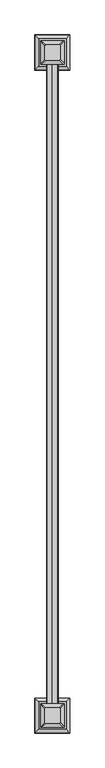
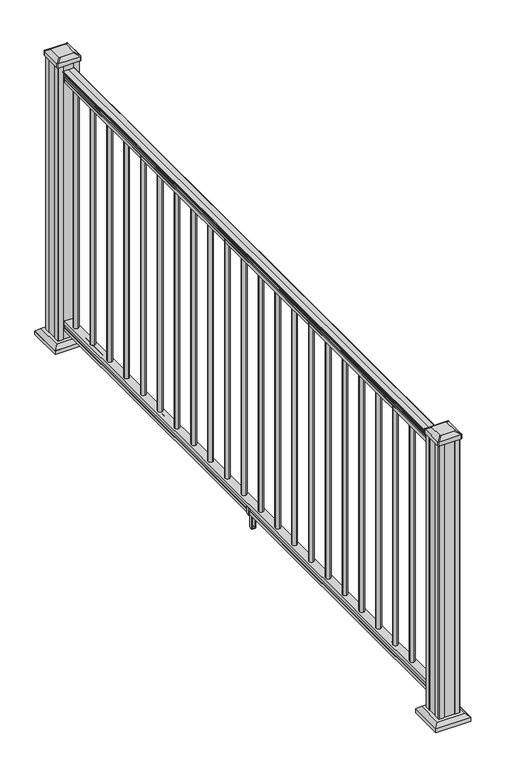
"""IFC4 building model written with IfcOpenShell, lengths in millimetres: railing geometry."""

from ifc_helpers import new_model, si_unit, point, frame, frame_2d, origin, origin_with_axes, place, context, project, spatial, polyline, circle_curve, trimmed, segment, composite_curve, outline, extrude, faceted_brep, source, transform, mapped, element, save
from ifc_brep_helpers import plane_surface, extruded_surface, advanced_brep


def railing_00e78cf7(model_context):
    return source(origin(), model_context, "Body", "SolidModel", [
        extrude(outline(composite_curve([segment(polyline([(3374.7752048, 1090.8043297), (3374.7752048, 1092.692412)]), True, "CONTINUOUS"), segment(trimmed(circle_curve(frame_2d((3381.0899581, 1098.4506383)), 8.545951), [point((3374.7752048, 1092.692412))], [point((3373.6450185, 1094.2546695))], False, "CARTESIAN"), True, "CONTINUOUS"), segment(trimmed(circle_curve(frame_2d((3380.6528951, 1097.8636577)), 7.882584), [point((3373.6450185, 1094.2546695))], [point((3373.6450185, 1101.4726458))], False, "CARTESIAN"), True, "CONTINUOUS"), segment(trimmed(circle_curve(frame_2d((3370.139571, 1103.7112527)), 4.1592695), [point((3373.6450185, 1101.4726458))], [point((3374.2942749, 1103.9060812))], True, "CARTESIAN"), True, "CONTINUOUS"), segment(trimmed(circle_curve(frame_2d((3368.8522645, 1103.6508864)), 5.4479907), [point((3374.2942749, 1103.9060812))], [point((3371.7942749, 1108.2362083))], True, "CARTESIAN"), True, "CONTINUOUS"), segment(trimmed(circle_curve(frame_2d((3370.0854229, 1108.233395)), 1.7088543), [point((3371.7942749, 1108.2362083))], [point((3370.3849325, 1109.9157972))], True, "CARTESIAN"), True, "CONTINUOUS"), segment(trimmed(circle_curve(frame_2d((3371.702323, 1111.0205318)), 1.7192895), [point((3370.3849325, 1109.9157972))], [point((3369.9830335, 1111.0205318))], False, "CARTESIAN"), True, "CONTINUOUS"), segment(polyline([(3369.9830335, 1111.0205318), (3369.9830336, 1112.3608158)]), True, "CONTINUOUS"), segment(trimmed(circle_curve(frame_2d((3371.5364808, 1112.3608158)), 1.5534472), [point((3369.9830336, 1112.3608158))], [point((3371.5364808, 1113.914263))], False, "CARTESIAN"), True, "CONTINUOUS"), segment(polyline([(3371.5364808, 1113.914263), (3392.2080336, 1113.914263), (3412.8795863, 1113.914263)]), True, "CONTINUOUS"), segment(trimmed(circle_curve(frame_2d((3412.8795863, 1112.3608158)), 1.5534472), [point((3412.8795863, 1113.914263))], [point((3414.4330336, 1112.3608158))], False, "CARTESIAN"), True, "CONTINUOUS"), segment(polyline([(3414.4330336, 1112.3608158), (3414.4330336, 1111.0205318)]), True, "CONTINUOUS"), segment(trimmed(circle_curve(frame_2d((3412.7137441, 1111.0205318)), 1.7192895), [point((3414.4330336, 1111.0205318))], [point((3414.0311346, 1109.9157972))], False, "CARTESIAN"), True, "CONTINUOUS"), segment(trimmed(circle_curve(frame_2d((3414.3306442, 1108.233395)), 1.7088543), [point((3414.0311346, 1109.9157972))], [point((3412.6217922, 1108.2362083))], True, "CARTESIAN"), True, "CONTINUOUS"), segment(trimmed(circle_curve(frame_2d((3415.5638026, 1103.6508864)), 5.4479907), [point((3412.6217922, 1108.2362083))], [point((3410.1217922, 1103.9060812))], True, "CARTESIAN"), True, "CONTINUOUS"), segment(trimmed(circle_curve(frame_2d((3414.2764961, 1103.7112527)), 4.1592695), [point((3410.1217922, 1103.9060812))], [point((3410.7710486, 1101.4726458))], True, "CARTESIAN"), True, "CONTINUOUS"), segment(trimmed(circle_curve(frame_2d((3403.763172, 1097.8636577)), 7.882584), [point((3410.7710486, 1101.4726458))], [point((3410.7710486, 1094.2546695))], False, "CARTESIAN"), True, "CONTINUOUS"), segment(trimmed(circle_curve(frame_2d((3403.326109, 1098.4506383)), 8.545951), [point((3410.7710486, 1094.2546695))], [point((3409.6408623, 1092.692412))], False, "CARTESIAN"), True, "CONTINUOUS"), segment(polyline([(3409.6408623, 1092.692412), (3409.6408623, 1090.8043297)]), True, "CONTINUOUS"), segment(trimmed(circle_curve(frame_2d((3408.3539479, 1090.8043297)), 1.2869144), [point((3409.6408623, 1090.8043297))], [point((3407.0670336, 1090.8043297))], False, "CARTESIAN"), True, "CONTINUOUS"), segment(polyline([(3407.0670336, 1090.8043297), (3407.0670336, 1080.3048283), (3408.0830336, 1079.2888283), (3408.0830336, 1066.8), (3376.3330336, 1066.8), (3376.3330336, 1079.131013), (3377.3490336, 1080.147013), (3377.3490336, 1090.8043297)]), True, "CONTINUOUS"), segment(trimmed(circle_curve(frame_2d((3376.0621192, 1090.8043297)), 1.2869144), [point((3377.3490336, 1090.8043297))], [point((3374.7752048, 1090.8043297))], False, "CARTESIAN"), True, "CONTINUOUS")], self_intersect=False)), frame((0.0, -14259.9299817, 0.0), z_axis=(0.0, -1.0, 0.0), x_axis=(1.0, 0.0, 0.0)), (0.0, 0.0, 1.0), 2438.4),
        extrude(outline(polyline([(76.0541976, 3376.2955467), (63.5, 3376.2955467), (63.5, 3408.0455467), (76.0375508, 3408.0455467), (77.3858283, 3407.0295467), (87.6975248, 3407.0295467), (89.0458024, 3408.0455467), (101.5958781, 3408.0455467), (101.5958781, 3376.2955467), (89.0624492, 3376.2955467), (87.7141717, 3377.3115467), (77.3546183, 3377.3115467), (76.0541976, 3376.2955467)])), frame((0.0, -16698.3299817, 0.0), z_axis=(0.0, 1.0, 0.0), x_axis=(0.0, 0.0, 1.0)), (0.0, 0.0, 1.0), 2438.4),
        extrude(outline(composite_curve([segment(trimmed(circle_curve(frame_2d((3392.2080336, -14309.7139817)), 9.525), [point((3382.6830336, -14309.7139817))], [point((3392.2080336, -14300.1889817))], False, "CARTESIAN"), True, "CONTINUOUS"), segment(trimmed(circle_curve(frame_2d((3392.2080336, -14309.7139817)), 9.525), [point((3392.2080336, -14300.1889817))], [point((3401.7330336, -14309.7139817))], False, "CARTESIAN"), True, "CONTINUOUS"), segment(trimmed(circle_curve(frame_2d((3392.2080336, -14309.7139817)), 9.525), [point((3401.7330336, -14309.7139817))], [point((3392.2080336, -14319.2389817))], False, "CARTESIAN"), True, "CONTINUOUS"), segment(trimmed(circle_curve(frame_2d((3392.2080336, -14309.7139817)), 9.525), [point((3392.2080336, -14319.2389817))], [point((3382.6830336, -14309.7139817))], False, "CARTESIAN"), True, "CONTINUOUS")], self_intersect=False)), frame((0.0, 0.0, 101.5958781), z_axis=(0.0, 0.0, 1.0), x_axis=(1.0, 0.0, 0.0)), (0.0, 0.0, 1.0), 965.2041219),
        extrude(outline(composite_curve([segment(trimmed(circle_curve(frame_2d((3392.2080336, -14420.9659817)), 9.525), [point((3382.6830336, -14420.9659817))], [point((3392.2080336, -14411.4409817))], False, "CARTESIAN"), True, "CONTINUOUS"), segment(trimmed(circle_curve(frame_2d((3392.2080336, -14420.9659817)), 9.525), [point((3392.2080336, -14411.4409817))], [point((3401.7330336, -14420.9659817))], False, "CARTESIAN"), True, "CONTINUOUS"), segment(trimmed(circle_curve(frame_2d((3392.2080336, -14420.9659817)), 9.525), [point((3401.7330336, -14420.9659817))], [point((3392.2080336, -14430.4909817))], False, "CARTESIAN"), True, "CONTINUOUS"), segment(trimmed(circle_curve(frame_2d((3392.2080336, -14420.9659817)), 9.525), [point((3392.2080336, -14430.4909817))], [point((3382.6830336, -14420.9659817))], False, "CARTESIAN"), True, "CONTINUOUS")], self_intersect=False)), frame((0.0, 0.0, 101.5958781), z_axis=(0.0, 0.0, 1.0), x_axis=(1.0, 0.0, 0.0)), (0.0, 0.0, 1.0), 965.2041219),
        extrude(outline(composite_curve([segment(trimmed(circle_curve(frame_2d((3392.2080336, -14532.2179817)), 9.525), [point((3382.6830336, -14532.2179817))], [point((3392.2080336, -14522.6929817))], False, "CARTESIAN"), True, "CONTINUOUS"), segment(trimmed(circle_curve(frame_2d((3392.2080336, -14532.2179817)), 9.525), [point((3392.2080336, -14522.6929817))], [point((3401.7330336, -14532.2179817))], False, "CARTESIAN"), True, "CONTINUOUS"), segment(trimmed(circle_curve(frame_2d((3392.2080336, -14532.2179817)), 9.525), [point((3401.7330336, -14532.2179817))], [point((3392.2080336, -14541.7429817))], False, "CARTESIAN"), True, "CONTINUOUS"), segment(trimmed(circle_curve(frame_2d((3392.2080336, -14532.2179817)), 9.525), [point((3392.2080336, -14541.7429817))], [point((3382.6830336, -14532.2179817))], False, "CARTESIAN"), True, "CONTINUOUS")], self_intersect=False)), frame((0.0, 0.0, 101.5958781), z_axis=(0.0, 0.0, 1.0), x_axis=(1.0, 0.0, 0.0)), (0.0, 0.0, 1.0), 965.2041219),
        extrude(outline(composite_curve([segment(trimmed(circle_curve(frame_2d((3392.2080336, -14643.4699817)), 9.525), [point((3382.6830336, -14643.4699817))], [point((3392.2080336, -14633.9449817))], False, "CARTESIAN"), True, "CONTINUOUS"), segment(trimmed(circle_curve(frame_2d((3392.2080336, -14643.4699817)), 9.525), [point((3392.2080336, -14633.9449817))], [point((3401.7330336, -14643.4699817))], False, "CARTESIAN"), True, "CONTINUOUS"), segment(trimmed(circle_curve(frame_2d((3392.2080336, -14643.4699817)), 9.525), [point((3401.7330336, -14643.4699817))], [point((3392.2080336, -14652.9949817))], False, "CARTESIAN"), True, "CONTINUOUS"), segment(trimmed(circle_curve(frame_2d((3392.2080336, -14643.4699817)), 9.525), [point((3392.2080336, -14652.9949817))], [point((3382.6830336, -14643.4699817))], False, "CARTESIAN"), True, "CONTINUOUS")], self_intersect=False)), frame((0.0, 0.0, 101.5958781), z_axis=(0.0, 0.0, 1.0), x_axis=(1.0, 0.0, 0.0)), (0.0, 0.0, 1.0), 965.2041219),
        extrude(outline(composite_curve([segment(trimmed(circle_curve(frame_2d((3392.2080336, -14754.7219817)), 9.525), [point((3382.6830336, -14754.7219817))], [point((3392.2080336, -14745.1969817))], False, "CARTESIAN"), True, "CONTINUOUS"), segment(trimmed(circle_curve(frame_2d((3392.2080336, -14754.7219817)), 9.525), [point((3392.2080336, -14745.1969817))], [point((3401.7330336, -14754.7219817))], False, "CARTESIAN"), True, "CONTINUOUS"), segment(trimmed(circle_curve(frame_2d((3392.2080336, -14754.7219817)), 9.525), [point((3401.7330336, -14754.7219817))], [point((3392.2080336, -14764.2469817))], False, "CARTESIAN"), True, "CONTINUOUS"), segment(trimmed(circle_curve(frame_2d((3392.2080336, -14754.7219817)), 9.525), [point((3392.2080336, -14764.2469817))], [point((3382.6830336, -14754.7219817))], False, "CARTESIAN"), True, "CONTINUOUS")], self_intersect=False)), frame((0.0, 0.0, 101.5958781), z_axis=(0.0, 0.0, 1.0), x_axis=(1.0, 0.0, 0.0)), (0.0, 0.0, 1.0), 965.2041219),
        extrude(outline(composite_curve([segment(trimmed(circle_curve(frame_2d((3392.2080336, -14865.9739817)), 9.525), [point((3382.6830336, -14865.9739817))], [point((3392.2080336, -14856.4489817))], False, "CARTESIAN"), True, "CONTINUOUS"), segment(trimmed(circle_curve(frame_2d((3392.2080336, -14865.9739817)), 9.525), [point((3392.2080336, -14856.4489817))], [point((3401.7330336, -14865.9739817))], False, "CARTESIAN"), True, "CONTINUOUS"), segment(trimmed(circle_curve(frame_2d((3392.2080336, -14865.9739817)), 9.525), [point((3401.7330336, -14865.9739817))], [point((3392.2080336, -14875.4989817))], False, "CARTESIAN"), True, "CONTINUOUS"), segment(trimmed(circle_curve(frame_2d((3392.2080336, -14865.9739817)), 9.525), [point((3392.2080336, -14875.4989817))], [point((3382.6830336, -14865.9739817))], False, "CARTESIAN"), True, "CONTINUOUS")], self_intersect=False)), frame((0.0, 0.0, 101.5958781), z_axis=(0.0, 0.0, 1.0), x_axis=(1.0, 0.0, 0.0)), (0.0, 0.0, 1.0), 965.2041219),
        extrude(outline(composite_curve([segment(trimmed(circle_curve(frame_2d((3392.2080336, -14977.2259817)), 9.525), [point((3382.6830336, -14977.2259817))], [point((3392.2080336, -14967.7009817))], False, "CARTESIAN"), True, "CONTINUOUS"), segment(trimmed(circle_curve(frame_2d((3392.2080336, -14977.2259817)), 9.525), [point((3392.2080336, -14967.7009817))], [point((3401.7330336, -14977.2259817))], False, "CARTESIAN"), True, "CONTINUOUS"), segment(trimmed(circle_curve(frame_2d((3392.2080336, -14977.2259817)), 9.525), [point((3401.7330336, -14977.2259817))], [point((3392.2080336, -14986.7509817))], False, "CARTESIAN"), True, "CONTINUOUS"), segment(trimmed(circle_curve(frame_2d((3392.2080336, -14977.2259817)), 9.525), [point((3392.2080336, -14986.7509817))], [point((3382.6830336, -14977.2259817))], False, "CARTESIAN"), True, "CONTINUOUS")], self_intersect=False)), frame((0.0, 0.0, 101.5958781), z_axis=(0.0, 0.0, 1.0), x_axis=(1.0, 0.0, 0.0)), (0.0, 0.0, 1.0), 965.2041219),
        extrude(outline(composite_curve([segment(trimmed(circle_curve(frame_2d((3392.2080336, -15088.4779817)), 9.525), [point((3382.6830336, -15088.4779817))], [point((3392.2080336, -15078.9529817))], False, "CARTESIAN"), True, "CONTINUOUS"), segment(trimmed(circle_curve(frame_2d((3392.2080336, -15088.4779817)), 9.525), [point((3392.2080336, -15078.9529817))], [point((3401.7330336, -15088.4779817))], False, "CARTESIAN"), True, "CONTINUOUS"), segment(trimmed(circle_curve(frame_2d((3392.2080336, -15088.4779817)), 9.525), [point((3401.7330336, -15088.4779817))], [point((3392.2080336, -15098.0029817))], False, "CARTESIAN"), True, "CONTINUOUS"), segment(trimmed(circle_curve(frame_2d((3392.2080336, -15088.4779817)), 9.525), [point((3392.2080336, -15098.0029817))], [point((3382.6830336, -15088.4779817))], False, "CARTESIAN"), True, "CONTINUOUS")], self_intersect=False)), frame((0.0, 0.0, 101.5958781), z_axis=(0.0, 0.0, 1.0), x_axis=(1.0, 0.0, 0.0)), (0.0, 0.0, 1.0), 965.2041219),
        extrude(outline(composite_curve([segment(trimmed(circle_curve(frame_2d((3392.2080336, -15199.7299817)), 9.525), [point((3382.6830336, -15199.7299817))], [point((3392.2080336, -15190.2049817))], False, "CARTESIAN"), True, "CONTINUOUS"), segment(trimmed(circle_curve(frame_2d((3392.2080336, -15199.7299817)), 9.525), [point((3392.2080336, -15190.2049817))], [point((3401.7330336, -15199.7299817))], False, "CARTESIAN"), True, "CONTINUOUS"), segment(trimmed(circle_curve(frame_2d((3392.2080336, -15199.7299817)), 9.525), [point((3401.7330336, -15199.7299817))], [point((3392.2080336, -15209.2549817))], False, "CARTESIAN"), True, "CONTINUOUS"), segment(trimmed(circle_curve(frame_2d((3392.2080336, -15199.7299817)), 9.525), [point((3392.2080336, -15209.2549817))], [point((3382.6830336, -15199.7299817))], False, "CARTESIAN"), True, "CONTINUOUS")], self_intersect=False)), frame((0.0, 0.0, 101.5958781), z_axis=(0.0, 0.0, 1.0), x_axis=(1.0, 0.0, 0.0)), (0.0, 0.0, 1.0), 965.2041219),
        extrude(outline(composite_curve([segment(trimmed(circle_curve(frame_2d((3392.2080336, -15310.9819817)), 9.525), [point((3382.6830336, -15310.9819817))], [point((3392.2080336, -15301.4569817))], False, "CARTESIAN"), True, "CONTINUOUS"), segment(trimmed(circle_curve(frame_2d((3392.2080336, -15310.9819817)), 9.525), [point((3392.2080336, -15301.4569817))], [point((3401.7330336, -15310.9819817))], False, "CARTESIAN"), True, "CONTINUOUS"), segment(trimmed(circle_curve(frame_2d((3392.2080336, -15310.9819817)), 9.525), [point((3401.7330336, -15310.9819817))], [point((3392.2080336, -15320.5069817))], False, "CARTESIAN"), True, "CONTINUOUS"), segment(trimmed(circle_curve(frame_2d((3392.2080336, -15310.9819817)), 9.525), [point((3392.2080336, -15320.5069817))], [point((3382.6830336, -15310.9819817))], False, "CARTESIAN"), True, "CONTINUOUS")], self_intersect=False)), frame((0.0, 0.0, 101.5958781), z_axis=(0.0, 0.0, 1.0), x_axis=(1.0, 0.0, 0.0)), (0.0, 0.0, 1.0), 965.2041219),
        extrude(outline(composite_curve([segment(trimmed(circle_curve(frame_2d((3392.2080336, -15422.2339817)), 9.525), [point((3382.6830336, -15422.2339817))], [point((3392.2080336, -15412.7089817))], False, "CARTESIAN"), True, "CONTINUOUS"), segment(trimmed(circle_curve(frame_2d((3392.2080336, -15422.2339817)), 9.525), [point((3392.2080336, -15412.7089817))], [point((3401.7330336, -15422.2339817))], False, "CARTESIAN"), True, "CONTINUOUS"), segment(trimmed(circle_curve(frame_2d((3392.2080336, -15422.2339817)), 9.525), [point((3401.7330336, -15422.2339817))], [point((3392.2080336, -15431.7589817))], False, "CARTESIAN"), True, "CONTINUOUS"), segment(trimmed(circle_curve(frame_2d((3392.2080336, -15422.2339817)), 9.525), [point((3392.2080336, -15431.7589817))], [point((3382.6830336, -15422.2339817))], False, "CARTESIAN"), True, "CONTINUOUS")], self_intersect=False)), frame((0.0, 0.0, 101.5958781), z_axis=(0.0, 0.0, 1.0), x_axis=(1.0, 0.0, 0.0)), (0.0, 0.0, 1.0), 965.2041219),
        extrude(outline(polyline([(88.7203979, 3410.3690324), (88.7203979, 3408.3370328), (87.7043953, 3407.321033), (77.2686081, 3407.321033), (76.2526073, 3408.3370328), (64.262001, 3408.3370328), (63.5000019, 3407.5750337), (63.5000019, 3376.8410325), (64.262001, 3376.0790334), (76.2526073, 3376.0790334), (77.2686081, 3377.0950332), (87.7043953, 3377.0950332), (88.7203979, 3376.0790334), (88.7203979, 3374.0470338), (87.9583969, 3373.2850327), (61.4680023, 3373.2850327), (60.7060013, 3374.0470338), (60.7060013, 3384.0800328), (59.9440012, 3384.8420329), (0.762001, 3384.8420329), (0.0, 3385.6040339), (0.0, 3398.8120332), (0.7620001, 3399.5740332), (59.9440012, 3399.5740332), (60.7060013, 3400.3360333), (60.7060013, 3410.3690324), (61.4680023, 3411.1310334), (87.9583969, 3411.1310334), (88.7203979, 3410.3690324)]), holes=[polyline([(60.7060013, 3388.7790332), (60.7060013, 3395.637033), (59.9440012, 3396.3990331), (3.9370003, 3396.3990331), (3.1750031, 3395.6370358), (3.1750031, 3388.7790332), (3.9370031, 3388.0170331), (59.9440012, 3388.0170331), (60.7060013, 3388.7790332)])]), frame((0.0, -15485.2259817, 0.0), z_axis=(0.0, 1.0, 0.0), x_axis=(0.0, 0.0, 1.0)), (0.0, 0.0, 1.0), 14.732),
        extrude(outline(composite_curve([segment(trimmed(circle_curve(frame_2d((3392.2080336, -15533.4859817)), 9.525), [point((3382.6830336, -15533.4859817))], [point((3392.2080336, -15523.9609817))], False, "CARTESIAN"), True, "CONTINUOUS"), segment(trimmed(circle_curve(frame_2d((3392.2080336, -15533.4859817)), 9.525), [point((3392.2080336, -15523.9609817))], [point((3401.7330336, -15533.4859817))], False, "CARTESIAN"), True, "CONTINUOUS"), segment(trimmed(circle_curve(frame_2d((3392.2080336, -15533.4859817)), 9.525), [point((3401.7330336, -15533.4859817))], [point((3392.2080336, -15543.0109817))], False, "CARTESIAN"), True, "CONTINUOUS"), segment(trimmed(circle_curve(frame_2d((3392.2080336, -15533.4859817)), 9.525), [point((3392.2080336, -15543.0109817))], [point((3382.6830336, -15533.4859817))], False, "CARTESIAN"), True, "CONTINUOUS")], self_intersect=False)), frame((0.0, 0.0, 101.5958781), z_axis=(0.0, 0.0, 1.0), x_axis=(1.0, 0.0, 0.0)), (0.0, 0.0, 1.0), 965.2041219),
        extrude(outline(composite_curve([segment(trimmed(circle_curve(frame_2d((3392.2080336, -15644.7379817)), 9.525), [point((3382.6830336, -15644.7379817))], [point((3392.2080336, -15635.2129817))], False, "CARTESIAN"), True, "CONTINUOUS"), segment(trimmed(circle_curve(frame_2d((3392.2080336, -15644.7379817)), 9.525), [point((3392.2080336, -15635.2129817))], [point((3401.7330336, -15644.7379817))], False, "CARTESIAN"), True, "CONTINUOUS"), segment(trimmed(circle_curve(frame_2d((3392.2080336, -15644.7379817)), 9.525), [point((3401.7330336, -15644.7379817))], [point((3392.2080336, -15654.2629817))], False, "CARTESIAN"), True, "CONTINUOUS"), segment(trimmed(circle_curve(frame_2d((3392.2080336, -15644.7379817)), 9.525), [point((3392.2080336, -15654.2629817))], [point((3382.6830336, -15644.7379817))], False, "CARTESIAN"), True, "CONTINUOUS")], self_intersect=False)), frame((0.0, 0.0, 101.5958781), z_axis=(0.0, 0.0, 1.0), x_axis=(1.0, 0.0, 0.0)), (0.0, 0.0, 1.0), 965.2041219),
        extrude(outline(composite_curve([segment(trimmed(circle_curve(frame_2d((3392.2080336, -15755.9899817)), 9.525), [point((3382.6830336, -15755.9899817))], [point((3392.2080336, -15746.4649817))], False, "CARTESIAN"), True, "CONTINUOUS"), segment(trimmed(circle_curve(frame_2d((3392.2080336, -15755.9899817)), 9.525), [point((3392.2080336, -15746.4649817))], [point((3401.7330336, -15755.9899817))], False, "CARTESIAN"), True, "CONTINUOUS"), segment(trimmed(circle_curve(frame_2d((3392.2080336, -15755.9899817)), 9.525), [point((3401.7330336, -15755.9899817))], [point((3392.2080336, -15765.5149817))], False, "CARTESIAN"), True, "CONTINUOUS"), segment(trimmed(circle_curve(frame_2d((3392.2080336, -15755.9899817)), 9.525), [point((3392.2080336, -15765.5149817))], [point((3382.6830336, -15755.9899817))], False, "CARTESIAN"), True, "CONTINUOUS")], self_intersect=False)), frame((0.0, 0.0, 101.5958781), z_axis=(0.0, 0.0, 1.0), x_axis=(1.0, 0.0, 0.0)), (0.0, 0.0, 1.0), 965.2041219),
        extrude(outline(composite_curve([segment(trimmed(circle_curve(frame_2d((3392.2080336, -15867.2419817)), 9.525), [point((3382.6830336, -15867.2419817))], [point((3392.2080336, -15857.7169817))], False, "CARTESIAN"), True, "CONTINUOUS"), segment(trimmed(circle_curve(frame_2d((3392.2080336, -15867.2419817)), 9.525), [point((3392.2080336, -15857.7169817))], [point((3401.7330336, -15867.2419817))], False, "CARTESIAN"), True, "CONTINUOUS"), segment(trimmed(circle_curve(frame_2d((3392.2080336, -15867.2419817)), 9.525), [point((3401.7330336, -15867.2419817))], [point((3392.2080336, -15876.7669817))], False, "CARTESIAN"), True, "CONTINUOUS"), segment(trimmed(circle_curve(frame_2d((3392.2080336, -15867.2419817)), 9.525), [point((3392.2080336, -15876.7669817))], [point((3382.6830336, -15867.2419817))], False, "CARTESIAN"), True, "CONTINUOUS")], self_intersect=False)), frame((0.0, 0.0, 101.5958781), z_axis=(0.0, 0.0, 1.0), x_axis=(1.0, 0.0, 0.0)), (0.0, 0.0, 1.0), 965.2041219),
        extrude(outline(composite_curve([segment(trimmed(circle_curve(frame_2d((3392.2080336, -15978.4939817)), 9.525), [point((3382.6830336, -15978.4939817))], [point((3392.2080336, -15968.9689817))], False, "CARTESIAN"), True, "CONTINUOUS"), segment(trimmed(circle_curve(frame_2d((3392.2080336, -15978.4939817)), 9.525), [point((3392.2080336, -15968.9689817))], [point((3401.7330336, -15978.4939817))], False, "CARTESIAN"), True, "CONTINUOUS"), segment(trimmed(circle_curve(frame_2d((3392.2080336, -15978.4939817)), 9.525), [point((3401.7330336, -15978.4939817))], [point((3392.2080336, -15988.0189817))], False, "CARTESIAN"), True, "CONTINUOUS"), segment(trimmed(circle_curve(frame_2d((3392.2080336, -15978.4939817)), 9.525), [point((3392.2080336, -15988.0189817))], [point((3382.6830336, -15978.4939817))], False, "CARTESIAN"), True, "CONTINUOUS")], self_intersect=False)), frame((0.0, 0.0, 101.5958781), z_axis=(0.0, 0.0, 1.0), x_axis=(1.0, 0.0, 0.0)), (0.0, 0.0, 1.0), 965.2041219),
        extrude(outline(composite_curve([segment(trimmed(circle_curve(frame_2d((3392.2080336, -16089.7459817)), 9.525), [point((3382.6830336, -16089.7459817))], [point((3392.2080336, -16080.2209817))], False, "CARTESIAN"), True, "CONTINUOUS"), segment(trimmed(circle_curve(frame_2d((3392.2080336, -16089.7459817)), 9.525), [point((3392.2080336, -16080.2209817))], [point((3401.7330336, -16089.7459817))], False, "CARTESIAN"), True, "CONTINUOUS"), segment(trimmed(circle_curve(frame_2d((3392.2080336, -16089.7459817)), 9.525), [point((3401.7330336, -16089.7459817))], [point((3392.2080336, -16099.2709817))], False, "CARTESIAN"), True, "CONTINUOUS"), segment(trimmed(circle_curve(frame_2d((3392.2080336, -16089.7459817)), 9.525), [point((3392.2080336, -16099.2709817))], [point((3382.6830336, -16089.7459817))], False, "CARTESIAN"), True, "CONTINUOUS")], self_intersect=False)), frame((0.0, 0.0, 101.5958781), z_axis=(0.0, 0.0, 1.0), x_axis=(1.0, 0.0, 0.0)), (0.0, 0.0, 1.0), 965.2041219),
        extrude(outline(composite_curve([segment(trimmed(circle_curve(frame_2d((3392.2080336, -16200.9979817)), 9.525), [point((3382.6830336, -16200.9979817))], [point((3392.2080336, -16191.4729817))], False, "CARTESIAN"), True, "CONTINUOUS"), segment(trimmed(circle_curve(frame_2d((3392.2080336, -16200.9979817)), 9.525), [point((3392.2080336, -16191.4729817))], [point((3401.7330336, -16200.9979817))], False, "CARTESIAN"), True, "CONTINUOUS"), segment(trimmed(circle_curve(frame_2d((3392.2080336, -16200.9979817)), 9.525), [point((3401.7330336, -16200.9979817))], [point((3392.2080336, -16210.5229817))], False, "CARTESIAN"), True, "CONTINUOUS"), segment(trimmed(circle_curve(frame_2d((3392.2080336, -16200.9979817)), 9.525), [point((3392.2080336, -16210.5229817))], [point((3382.6830336, -16200.9979817))], False, "CARTESIAN"), True, "CONTINUOUS")], self_intersect=False)), frame((0.0, 0.0, 101.5958781), z_axis=(0.0, 0.0, 1.0), x_axis=(1.0, 0.0, 0.0)), (0.0, 0.0, 1.0), 965.2041219),
        extrude(outline(composite_curve([segment(trimmed(circle_curve(frame_2d((3392.2080336, -16312.2499817)), 9.525), [point((3382.6830336, -16312.2499817))], [point((3392.2080336, -16302.7249817))], False, "CARTESIAN"), True, "CONTINUOUS"), segment(trimmed(circle_curve(frame_2d((3392.2080336, -16312.2499817)), 9.525), [point((3392.2080336, -16302.7249817))], [point((3401.7330336, -16312.2499817))], False, "CARTESIAN"), True, "CONTINUOUS"), segment(trimmed(circle_curve(frame_2d((3392.2080336, -16312.2499817)), 9.525), [point((3401.7330336, -16312.2499817))], [point((3392.2080336, -16321.7749817))], False, "CARTESIAN"), True, "CONTINUOUS"), segment(trimmed(circle_curve(frame_2d((3392.2080336, -16312.2499817)), 9.525), [point((3392.2080336, -16321.7749817))], [point((3382.6830336, -16312.2499817))], False, "CARTESIAN"), True, "CONTINUOUS")], self_intersect=False)), frame((0.0, 0.0, 101.5958781), z_axis=(0.0, 0.0, 1.0), x_axis=(1.0, 0.0, 0.0)), (0.0, 0.0, 1.0), 965.2041219),
        extrude(outline(composite_curve([segment(trimmed(circle_curve(frame_2d((3392.2080336, -16423.5019817)), 9.525), [point((3382.6830336, -16423.5019817))], [point((3392.2080336, -16413.9769817))], False, "CARTESIAN"), True, "CONTINUOUS"), segment(trimmed(circle_curve(frame_2d((3392.2080336, -16423.5019817)), 9.525), [point((3392.2080336, -16413.9769817))], [point((3401.7330336, -16423.5019817))], False, "CARTESIAN"), True, "CONTINUOUS"), segment(trimmed(circle_curve(frame_2d((3392.2080336, -16423.5019817)), 9.525), [point((3401.7330336, -16423.5019817))], [point((3392.2080336, -16433.0269817))], False, "CARTESIAN"), True, "CONTINUOUS"), segment(trimmed(circle_curve(frame_2d((3392.2080336, -16423.5019817)), 9.525), [point((3392.2080336, -16433.0269817))], [point((3382.6830336, -16423.5019817))], False, "CARTESIAN"), True, "CONTINUOUS")], self_intersect=False)), frame((0.0, 0.0, 101.5958781), z_axis=(0.0, 0.0, 1.0), x_axis=(1.0, 0.0, 0.0)), (0.0, 0.0, 1.0), 965.2041219),
        extrude(outline(composite_curve([segment(trimmed(circle_curve(frame_2d((3392.2080336, -16534.7539817)), 9.525), [point((3382.6830336, -16534.7539817))], [point((3392.2080336, -16525.2289817))], False, "CARTESIAN"), True, "CONTINUOUS"), segment(trimmed(circle_curve(frame_2d((3392.2080336, -16534.7539817)), 9.525), [point((3392.2080336, -16525.2289817))], [point((3401.7330336, -16534.7539817))], False, "CARTESIAN"), True, "CONTINUOUS"), segment(trimmed(circle_curve(frame_2d((3392.2080336, -16534.7539817)), 9.525), [point((3401.7330336, -16534.7539817))], [point((3392.2080336, -16544.2789817))], False, "CARTESIAN"), True, "CONTINUOUS"), segment(trimmed(circle_curve(frame_2d((3392.2080336, -16534.7539817)), 9.525), [point((3392.2080336, -16544.2789817))], [point((3382.6830336, -16534.7539817))], False, "CARTESIAN"), True, "CONTINUOUS")], self_intersect=False)), frame((0.0, 0.0, 101.5958781), z_axis=(0.0, 0.0, 1.0), x_axis=(1.0, 0.0, 0.0)), (0.0, 0.0, 1.0), 965.2041219),
        extrude(outline(composite_curve([segment(trimmed(circle_curve(frame_2d((3392.2080336, -16646.0059817)), 9.525), [point((3382.6830336, -16646.0059817))], [point((3392.2080336, -16636.4809817))], False, "CARTESIAN"), True, "CONTINUOUS"), segment(trimmed(circle_curve(frame_2d((3392.2080336, -16646.0059817)), 9.525), [point((3392.2080336, -16636.4809817))], [point((3401.7330336, -16646.0059817))], False, "CARTESIAN"), True, "CONTINUOUS"), segment(trimmed(circle_curve(frame_2d((3392.2080336, -16646.0059817)), 9.525), [point((3401.7330336, -16646.0059817))], [point((3392.2080336, -16655.5309817))], False, "CARTESIAN"), True, "CONTINUOUS"), segment(trimmed(circle_curve(frame_2d((3392.2080336, -16646.0059817)), 9.525), [point((3392.2080336, -16655.5309817))], [point((3382.6830336, -16646.0059817))], False, "CARTESIAN"), True, "CONTINUOUS")], self_intersect=False)), frame((0.0, 0.0, 101.5958781), z_axis=(0.0, 0.0, 1.0), x_axis=(1.0, 0.0, 0.0)), (0.0, 0.0, 1.0), 965.2041219),
        faceted_brep([(3339.6220961, -14271.1139192, 28.575), (3444.7939711, -14271.1139192, 28.575), (3444.7939711, -14165.9420442, 28.575), (3339.6220961, -14165.9420442, 28.575), (3325.5826429, -14285.1533724, 15.24), (3325.5826429, -14151.9025911, 15.24), (3458.8334242, -14151.9025911, 15.24), (3458.8334242, -14285.1533724, 15.24)], [[[0, 1, 2, 3]], [[4, 5, 6, 7]], [[4, 7, 1, 0]], [[7, 6, 2, 1]], [[6, 5, 3, 2]], [[5, 4, 0, 3]]]),
        extrude(outline(polyline([(3325.5826429, -14285.1533724), (3325.5826429, -14151.9025911), (3458.8334242, -14151.9025911), (3458.8334242, -14285.1533724), (3325.5826429, -14285.1533724)])), origin_with_axes(), (0.0, 0.0, 1.0), 15.24),
        advanced_brep(
        [(3418.0049086, -14247.4998567, 1165.225), (3421.1799086, -14244.3248567, 1165.225), (3421.1799086, -14192.7311067, 1165.225), (3418.0049086, -14189.5561067, 1165.225), (3366.4111586, -14189.5561067, 1165.225), (3363.2361586, -14192.7311067, 1165.225), (3363.2361586, -14244.3248567, 1165.225), (3366.4111586, -14247.4998567, 1165.225), (3434.2767836, -14263.7717317, 1153.922), (3350.1392836, -14263.7717317, 1153.922), (3346.9642836, -14260.5967317, 1153.922), (3346.9642836, -14176.4592317, 1153.922), (3350.1392836, -14173.2842317, 1153.922), (3434.2767836, -14173.2842317, 1153.922), (3437.4517836, -14176.4592317, 1153.922), (3437.4517836, -14260.5967317, 1153.922)],
        [
            (0, 1, circle_curve(frame((3418.0049086, -14244.3248567, 1165.225), z_axis=(0.0, 0.0, 1.0), x_axis=(0.0, 1.0, 0.0)), 3.175)),
            (1, 2),
            (2, 3, circle_curve(frame((3418.0049086, -14192.7311067, 1165.225), z_axis=(0.0, 0.0, 1.0), x_axis=(0.0, 1.0, 0.0)), 3.175)),
            (3, 4),
            (4, 5, circle_curve(frame((3366.4111586, -14192.7311067, 1165.225), z_axis=(0.0, 0.0, 1.0), x_axis=(0.0, 1.0, 0.0)), 3.175)),
            (5, 6),
            (6, 7, circle_curve(frame((3366.4111586, -14244.3248567, 1165.225), z_axis=(0.0, 0.0, 1.0), x_axis=(0.0, 1.0, 0.0)), 3.175)),
            (7, 0),
            (8, 9),
            (9, 10, circle_curve(frame((3350.1392836, -14260.5967317, 1153.922), z_axis=(0.0, 0.0, -1.0), x_axis=(0.0, 1.0, 0.0)), 3.175)),
            (10, 11),
            (11, 12, circle_curve(frame((3350.1392836, -14176.4592317, 1153.922), z_axis=(0.0, 0.0, -1.0), x_axis=(0.0, 1.0, 0.0)), 3.175)),
            (12, 13),
            (13, 14, circle_curve(frame((3434.2767836, -14176.4592317, 1153.922), z_axis=(0.0, 0.0, -1.0), x_axis=(0.0, 1.0, 0.0)), 3.175)),
            (14, 15),
            (15, 8, circle_curve(frame((3434.2767836, -14260.5967317, 1153.922), z_axis=(0.0, 0.0, -1.0), x_axis=(0.0, 1.0, 0.0)), 3.175)),
            (15, 1),
            (0, 8),
            (14, 2),
            (13, 3),
            (12, 4),
            (11, 5),
            (10, 6),
            (9, 7),
        ],
        [
            plane_surface(frame((3392.2080336, -14218.5279817, 1165.225), z_axis=(0.0, 0.0, 1.0), x_axis=(1.0, 0.0, 0.0))),
            plane_surface(frame((3392.2080336, -14218.5279817, 1153.922), z_axis=(0.0, 0.0, -1.0), x_axis=(1.0, 0.0, 0.0))),
            extruded_surface(trimmed(circle_curve(frame((3434.2767836, -14260.5967317, 1153.922), z_axis=(0.0, 0.0, 1.0), x_axis=(0.0, 1.0, 0.0)), 3.175), [point((3434.2767836, -14263.7717317, 1153.922))], [point((3437.4517836, -14260.5967317, 1153.922))], True, "CARTESIAN"), (-16.27187499999991, 16.271875000000364, 11.302999999999884), 25.637972638866284),
            plane_surface(frame((3437.4517836, -14218.5279817, 1153.922), z_axis=(0.5705009161540777, 0.0, 0.8212969649690409), x_axis=(0.0, 1.0, 0.0))),
            extruded_surface(trimmed(circle_curve(frame((3434.2767836, -14176.4592317, 1153.922), z_axis=(0.0, 0.0, 1.0), x_axis=(0.0, 1.0, 0.0)), 3.175), [point((3437.4517836, -14176.4592317, 1153.922))], [point((3434.2767836, -14173.2842317, 1153.922))], True, "CARTESIAN"), (-16.27187499999991, -16.271874999998545, 11.302999999999884), 25.63797263886513),
            plane_surface(frame((3392.2080336, -14173.2842317, 1153.922), z_axis=(0.0, 0.5705009161540291, 0.8212969649690747), x_axis=(-1.0, 0.0, 0.0))),
            extruded_surface(trimmed(circle_curve(frame((3350.1392836, -14176.4592317, 1153.922), z_axis=(0.0, 0.0, 1.0), x_axis=(0.0, 1.0, 0.0)), 3.175), [point((3350.1392836, -14173.2842317, 1153.922))], [point((3346.9642836, -14176.4592317, 1153.922))], True, "CARTESIAN"), (16.27187499999991, -16.271874999998545, 11.302999999999884), 25.63797263886513),
            plane_surface(frame((3346.9642836, -14218.5279817, 1153.922), z_axis=(-0.5705009161540143, 0.0, 0.821296964969085), x_axis=(0.0, -1.0, 0.0))),
            extruded_surface(trimmed(circle_curve(frame((3350.1392836, -14260.5967317, 1153.922), z_axis=(0.0, 0.0, 1.0), x_axis=(0.0, 1.0, 0.0)), 3.175), [point((3346.9642836, -14260.5967317, 1153.922))], [point((3350.1392836, -14263.7717317, 1153.922))], True, "CARTESIAN"), (16.27187499999991, 16.271875000000364, 11.302999999999884), 25.637972638866284),
            plane_surface(frame((3392.2080336, -14263.7717317, 1153.922), z_axis=(0.0, -0.570500916154034, 0.8212969649690713), x_axis=(1.0, 0.0, 0.0))),
        ],
        [
            (0, [[1, 2, 3, 4, 5, 6, 7, 8]]),
            (1, [[9, 10, 11, 12, 13, 14, 15, 16]]),
            (2, [[-16, 17, -1, 18]]),
            (3, [[-15, 19, -2, -17]]),
            (4, [[-14, 20, -3, -19]]),
            (5, [[-13, 21, -4, -20]]),
            (6, [[-12, 22, -5, -21]]),
            (7, [[-11, 23, -6, -22]]),
            (8, [[-10, 24, -7, -23]]),
            (9, [[-9, -18, -8, -24]]),
        ],
    ),
        extrude(outline(composite_curve([segment(polyline([(3434.2767836, -14263.7717317), (3350.1392836, -14263.7717317)]), True, "CONTINUOUS"), segment(trimmed(circle_curve(frame_2d((3350.1392836, -14260.5967317)), 3.175), [point((3350.1392836, -14263.7717317))], [point((3346.9642836, -14260.5967317))], False, "CARTESIAN"), True, "CONTINUOUS"), segment(polyline([(3346.9642836, -14260.5967317), (3346.9642836, -14176.4592317)]), True, "CONTINUOUS"), segment(trimmed(circle_curve(frame_2d((3350.1392836, -14176.4592317)), 3.175), [point((3346.9642836, -14176.4592317))], [point((3350.1392836, -14173.2842317))], False, "CARTESIAN"), True, "CONTINUOUS"), segment(polyline([(3350.1392836, -14173.2842317), (3434.2767836, -14173.2842317)]), True, "CONTINUOUS"), segment(trimmed(circle_curve(frame_2d((3434.2767836, -14176.4592317)), 3.175), [point((3434.2767836, -14173.2842317))], [point((3437.4517836, -14176.4592317))], False, "CARTESIAN"), True, "CONTINUOUS"), segment(polyline([(3437.4517836, -14176.4592317), (3437.4517836, -14260.5967317)]), True, "CONTINUOUS"), segment(trimmed(circle_curve(frame_2d((3434.2767836, -14260.5967317)), 3.175), [point((3437.4517836, -14260.5967317))], [point((3434.2767836, -14263.7717317))], False, "CARTESIAN"), True, "CONTINUOUS")], self_intersect=False)), frame((0.0, 0.0, 1136.65), z_axis=(0.0, 0.0, 1.0), x_axis=(1.0, 0.0, 0.0)), (0.0, 0.0, 1.0), 17.272),
        extrude(outline(polyline([(3431.8955336, -14259.8029817), (3412.2740336, -14259.8029817), (3411.5120336, -14258.2154817), (3372.9040336, -14258.2154817), (3372.1420336, -14259.8029817), (3352.5205336, -14259.8029817), (3350.9330336, -14258.2154817), (3350.9330336, -14238.5939817), (3352.5205336, -14237.8319817), (3352.5205336, -14199.2239817), (3350.9330336, -14198.4619817), (3350.9330336, -14178.8404817), (3352.5205336, -14177.2529817), (3372.1420336, -14177.2529817), (3372.9040336, -14178.8404817), (3411.5120336, -14178.8404817), (3412.2740336, -14177.2529817), (3431.8955336, -14177.2529817), (3433.4830336, -14178.8404817), (3433.4830336, -14198.4619817), (3431.8955336, -14199.2239817), (3431.8955336, -14237.8319817), (3433.4830336, -14238.5939817), (3433.4830336, -14258.2154817), (3431.8955336, -14259.8029817)])), origin_with_axes(), (0.0, 0.0, 1.0), 1136.65),
        faceted_brep([(3339.6220961, -16792.3179192, 28.575), (3444.7939711, -16792.3179192, 28.575), (3444.7939711, -16687.1460442, 28.575), (3339.6220961, -16687.1460442, 28.575), (3325.5826429, -16806.3573724, 15.24), (3325.5826429, -16673.1065911, 15.24), (3458.8334242, -16673.1065911, 15.24), (3458.8334242, -16806.3573724, 15.24)], [[[0, 1, 2, 3]], [[4, 5, 6, 7]], [[4, 7, 1, 0]], [[7, 6, 2, 1]], [[6, 5, 3, 2]], [[5, 4, 0, 3]]]),
        extrude(outline(polyline([(3325.5826429, -16806.3573724), (3325.5826429, -16673.1065911), (3458.8334242, -16673.1065911), (3458.8334242, -16806.3573724), (3325.5826429, -16806.3573724)])), origin_with_axes(), (0.0, 0.0, 1.0), 15.24),
        advanced_brep(
        [(3418.0049086, -16768.7038567, 1165.225), (3421.1799086, -16765.5288567, 1165.225), (3421.1799086, -16713.9351067, 1165.225), (3418.0049086, -16710.7601067, 1165.225), (3366.4111586, -16710.7601067, 1165.225), (3363.2361586, -16713.9351067, 1165.225), (3363.2361586, -16765.5288567, 1165.225), (3366.4111586, -16768.7038567, 1165.225), (3434.2767836, -16784.9757317, 1153.922), (3350.1392836, -16784.9757317, 1153.922), (3346.9642836, -16781.8007317, 1153.922), (3346.9642836, -16697.6632317, 1153.922), (3350.1392836, -16694.4882317, 1153.922), (3434.2767836, -16694.4882317, 1153.922), (3437.4517836, -16697.6632317, 1153.922), (3437.4517836, -16781.8007317, 1153.922)],
        [
            (0, 1, circle_curve(frame((3418.0049086, -16765.5288567, 1165.225), z_axis=(0.0, 0.0, 1.0), x_axis=(0.0, 1.0, 0.0)), 3.175)),
            (1, 2),
            (2, 3, circle_curve(frame((3418.0049086, -16713.9351067, 1165.225), z_axis=(0.0, 0.0, 1.0), x_axis=(0.0, 1.0, 0.0)), 3.175)),
            (3, 4),
            (4, 5, circle_curve(frame((3366.4111586, -16713.9351067, 1165.225), z_axis=(0.0, 0.0, 1.0), x_axis=(0.0, 1.0, 0.0)), 3.175)),
            (5, 6),
            (6, 7, circle_curve(frame((3366.4111586, -16765.5288567, 1165.225), z_axis=(0.0, 0.0, 1.0), x_axis=(0.0, 1.0, 0.0)), 3.175)),
            (7, 0),
            (8, 9),
            (9, 10, circle_curve(frame((3350.1392836, -16781.8007317, 1153.922), z_axis=(0.0, 0.0, -1.0), x_axis=(0.0, 1.0, 0.0)), 3.175)),
            (10, 11),
            (11, 12, circle_curve(frame((3350.1392836, -16697.6632317, 1153.922), z_axis=(0.0, 0.0, -1.0), x_axis=(0.0, 1.0, 0.0)), 3.175)),
            (12, 13),
            (13, 14, circle_curve(frame((3434.2767836, -16697.6632317, 1153.922), z_axis=(0.0, 0.0, -1.0), x_axis=(0.0, 1.0, 0.0)), 3.175)),
            (14, 15),
            (15, 8, circle_curve(frame((3434.2767836, -16781.8007317, 1153.922), z_axis=(0.0, 0.0, -1.0), x_axis=(0.0, 1.0, 0.0)), 3.175)),
            (15, 1),
            (0, 8),
            (14, 2),
            (13, 3),
            (12, 4),
            (11, 5),
            (10, 6),
            (9, 7),
        ],
        [
            plane_surface(frame((3392.2080336, -16739.7319817, 1165.225), z_axis=(0.0, 0.0, 1.0), x_axis=(1.0, 0.0, 0.0))),
            plane_surface(frame((3392.2080336, -16739.7319817, 1153.922), z_axis=(0.0, 0.0, -1.0), x_axis=(1.0, 0.0, 0.0))),
            extruded_surface(trimmed(circle_curve(frame((3434.2767836, -16781.8007317, 1153.922), z_axis=(0.0, 0.0, 1.0), x_axis=(0.0, 1.0, 0.0)), 3.175), [point((3434.2767836, -16784.9757317, 1153.922))], [point((3437.4517836, -16781.8007317, 1153.922))], True, "CARTESIAN"), (-16.27187499999991, 16.271875000002183, 11.302999999999884), 25.63797263886744),
            plane_surface(frame((3437.4517836, -16739.7319817, 1153.922), z_axis=(0.5705009161540777, 0.0, 0.8212969649690409), x_axis=(0.0, 1.0, 0.0))),
            extruded_surface(trimmed(circle_curve(frame((3434.2767836, -16697.6632317, 1153.922), z_axis=(0.0, 0.0, 1.0), x_axis=(0.0, 1.0, 0.0)), 3.175), [point((3437.4517836, -16697.6632317, 1153.922))], [point((3434.2767836, -16694.4882317, 1153.922))], True, "CARTESIAN"), (-16.27187499999991, -16.271874999998545, 11.302999999999884), 25.63797263886513),
            plane_surface(frame((3392.2080336, -16694.4882317, 1153.922), z_axis=(0.0, 0.5705009161540291, 0.8212969649690747), x_axis=(-1.0, 0.0, 0.0))),
            extruded_surface(trimmed(circle_curve(frame((3350.1392836, -16697.6632317, 1153.922), z_axis=(0.0, 0.0, 1.0), x_axis=(0.0, 1.0, 0.0)), 3.175), [point((3350.1392836, -16694.4882317, 1153.922))], [point((3346.9642836, -16697.6632317, 1153.922))], True, "CARTESIAN"), (16.27187499999991, -16.271874999998545, 11.302999999999884), 25.63797263886513),
            plane_surface(frame((3346.9642836, -16739.7319817, 1153.922), z_axis=(-0.5705009161540143, 0.0, 0.821296964969085), x_axis=(0.0, -1.0, 0.0))),
            extruded_surface(trimmed(circle_curve(frame((3350.1392836, -16781.8007317, 1153.922), z_axis=(0.0, 0.0, 1.0), x_axis=(0.0, 1.0, 0.0)), 3.175), [point((3346.9642836, -16781.8007317, 1153.922))], [point((3350.1392836, -16784.9757317, 1153.922))], True, "CARTESIAN"), (16.27187499999991, 16.271875000002183, 11.302999999999884), 25.63797263886744),
            plane_surface(frame((3392.2080336, -16784.9757317, 1153.922), z_axis=(0.0, -0.570500916154034, 0.8212969649690713), x_axis=(1.0, 0.0, 0.0))),
        ],
        [
            (0, [[1, 2, 3, 4, 5, 6, 7, 8]]),
            (1, [[9, 10, 11, 12, 13, 14, 15, 16]]),
            (2, [[-16, 17, -1, 18]]),
            (3, [[-15, 19, -2, -17]]),
            (4, [[-14, 20, -3, -19]]),
            (5, [[-13, 21, -4, -20]]),
            (6, [[-12, 22, -5, -21]]),
            (7, [[-11, 23, -6, -22]]),
            (8, [[-10, 24, -7, -23]]),
            (9, [[-9, -18, -8, -24]]),
        ],
    ),
        extrude(outline(composite_curve([segment(polyline([(3434.2767836, -16784.9757317), (3350.1392836, -16784.9757317)]), True, "CONTINUOUS"), segment(trimmed(circle_curve(frame_2d((3350.1392836, -16781.8007317)), 3.175), [point((3350.1392836, -16784.9757317))], [point((3346.9642836, -16781.8007317))], False, "CARTESIAN"), True, "CONTINUOUS"), segment(polyline([(3346.9642836, -16781.8007317), (3346.9642836, -16697.6632317)]), True, "CONTINUOUS"), segment(trimmed(circle_curve(frame_2d((3350.1392836, -16697.6632317)), 3.175), [point((3346.9642836, -16697.6632317))], [point((3350.1392836, -16694.4882317))], False, "CARTESIAN"), True, "CONTINUOUS"), segment(polyline([(3350.1392836, -16694.4882317), (3434.2767836, -16694.4882317)]), True, "CONTINUOUS"), segment(trimmed(circle_curve(frame_2d((3434.2767836, -16697.6632317)), 3.175), [point((3434.2767836, -16694.4882317))], [point((3437.4517836, -16697.6632317))], False, "CARTESIAN"), True, "CONTINUOUS"), segment(polyline([(3437.4517836, -16697.6632317), (3437.4517836, -16781.8007317)]), True, "CONTINUOUS"), segment(trimmed(circle_curve(frame_2d((3434.2767836, -16781.8007317)), 3.175), [point((3437.4517836, -16781.8007317))], [point((3434.2767836, -16784.9757317))], False, "CARTESIAN"), True, "CONTINUOUS")], self_intersect=False)), frame((0.0, 0.0, 1136.65), z_axis=(0.0, 0.0, 1.0), x_axis=(1.0, 0.0, 0.0)), (0.0, 0.0, 1.0), 17.272),
        extrude(outline(polyline([(3431.8955336, -16781.0069817), (3412.2740336, -16781.0069817), (3411.5120336, -16779.4194817), (3372.9040336, -16779.4194817), (3372.1420336, -16781.0069817), (3352.5205336, -16781.0069817), (3350.9330336, -16779.4194817), (3350.9330336, -16759.7979817), (3352.5205336, -16759.0359817), (3352.5205336, -16720.4279817), (3350.9330336, -16719.6659817), (3350.9330336, -16700.0444817), (3352.5205336, -16698.4569817), (3372.1420336, -16698.4569817), (3372.9040336, -16700.0444817), (3411.5120336, -16700.0444817), (3412.2740336, -16698.4569817), (3431.8955336, -16698.4569817), (3433.4830336, -16700.0444817), (3433.4830336, -16719.6659817), (3431.8955336, -16720.4279817), (3431.8955336, -16759.0359817), (3433.4830336, -16759.7979817), (3433.4830336, -16779.4194817), (3431.8955336, -16781.0069817)])), origin_with_axes(), (0.0, 0.0, 1.0), 1136.65),
    ])


if __name__ == "__main__":
    model = new_model("IFC4")
    model_context = context("Model", 3, world=origin())
    ifc_project = project(units=[si_unit("LENGTHUNIT", "METRE", prefix="MILLI")], contexts=[model_context])
    site = spatial("IfcSite", under=ifc_project)
    building = spatial("IfcBuilding", under=site)
    placement = place(None, origin())
    railing_shape = railing_00e78cf7(model_context)
    element("IfcRailing", 1, at=placement, inside=building, context=model_context, shape_type="MappedRepresentation", body=[
        mapped(railing_shape, transform((0.0, 0.0, 0.0), x_axis=(1.0, 0.0, 0.0), y_axis=(0.0, 1.0, 0.0), z_axis=(0.0, 0.0, 1.0))),
    ])
    save(model, "model.ifc")
